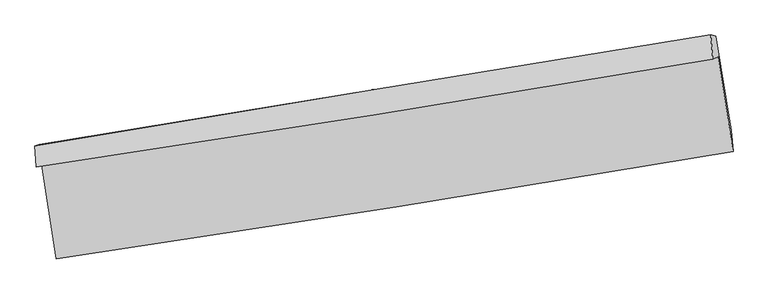
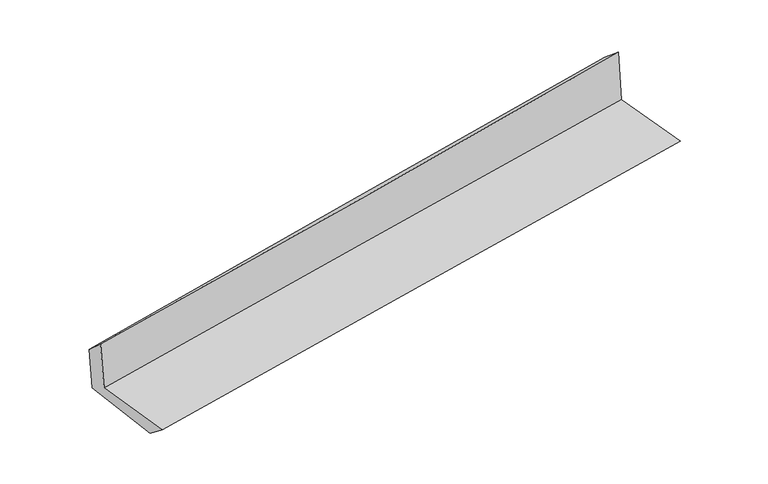
"""IFC4 building model written with IfcOpenShell, lengths in millimetres: proxy geometry."""

from ifc_helpers import new_model, si_unit, frame, origin, place, context, project, spatial, source, transform, mapped, element, save
from ifc_brep_helpers import plane_surface, spline_curve, spline_surface, advanced_brep


def generic_models_639da95f(model_context):
    return source(origin(), model_context, "Body", "AdvancedBrep", [
        advanced_brep(
        [(-2368.7172666, -1876.3100046, 1672.4766012), (-2265.7077989, -2525.5850871, 1665.507008), (2419.4420788, -1783.3703887, 2083.043802), (2315.7062234, -1124.9245097, 2083.134934), (-2403.792589, -1887.9878995, 2075.7857549), (2278.8938667, -1142.8764339, 2516.2221167), (-2414.5711312, -1744.3673212, 1946.1491553), (2264.9262178, -973.0624868, 2376.5540205), (-2384.0379597, -1733.0461, 1593.0768277), (2299.6050242, -983.013635, 2014.8012798), (-2278.8097993, -2377.1971815, 1553.0420381), (2406.1833728, -1635.3999073, 1973.2254562)],
        [
            (0, 1),
            (1, 2, spline_curve(3, [(-2265.7077989, -2525.5850871, 1665.507008), (-1481.330164058, -2409.134807769, 1746.267998175), (-697.077970812, -2288.78320259, 1821.566135181), (864.636571414, -2041.313506852, 1960.654335003), (1642.101004263, -1914.260212494, 2024.535129363), (2419.4420788, -1783.3703887, 2083.043802)], [4, 2, 4], [0.0, 7.8447046280036705, 15.62399098537959])),
            (2, 3),
            (3, 0, spline_curve(3, [(2315.7062234, -1124.9245097, 2083.134934), (1538.765257787, -1260.445038233, 2028.06269784), (761.561743516, -1390.581226324, 1966.475731234), (-799.908318666, -1641.13399587, 1829.69964928), (-1584.179301424, -1761.459639441, 1754.400505294), (-2368.7172666, -1876.3100046, 1672.4766012)], [4, 2, 4], [0.0, 7.77928635737592, 15.62399098537959])),
            (4, 0),
            (3, 5),
            (5, 4, spline_curve(3, [(2278.8938667, -1142.8764339, 2516.2221167), (1503.107737355, -1275.168605757, 2442.976135455), (726.627602076, -1403.16539022, 2369.803483539), (-834.256161772, -1651.60842463, 2222.990124498), (-1618.671512002, -1771.982128958, 2149.350656033), (-2403.792589, -1887.9878995, 2075.7857549)], [4, 2, 4], [0.0, 7.779186312062177, 15.623790053442104])),
            (6, 4),
            (5, 7),
            (7, 6, spline_curve(3, [(2264.9262178, -973.0624868, 2376.5540205), (1488.145351156, -1098.854817333, 2302.939608638), (711.429303024, -1225.752613719, 2230.410942182), (-848.40424141, -1482.835554763, 2086.924316419), (-1631.520642839, -1613.039369737, 2015.984694354), (-2414.5711312, -1744.3673212, 1946.1491553)], [4, 2, 4], [0.0, 7.779070901906389, 15.623558262613122])),
            (8, 6),
            (7, 9),
            (9, 8, spline_curve(3, [(2299.6050242, -983.013635, 2014.8012798), (1522.526376828, -1109.306988547, 1945.310868116), (745.318232473, -1234.698461446, 1875.570158608), (-815.893908497, -1484.724515168, 1734.99956855), (-1599.900091945, -1609.34386389, 1664.165460909), (-2384.0379597, -1733.0461, 1593.0768277)], [4, 2, 4], [0.0, 7.779076573391681, 15.623569653276867])),
            (10, 8),
            (9, 11),
            (11, 10, spline_curve(3, [(2406.1833728, -1635.3999073, 1973.2254562), (1629.813623516, -1765.942928907, 1903.471743575), (852.849836613, -1892.787601691, 1833.726178687), (-708.804521418, -2140.115821988, 1693.664901584), (-1493.505125133, -2260.536907532, 1623.349327225), (-2278.8097993, -2377.1971815, 1553.0420381)], [4, 2, 4], [0.0, 7.778974979638425, 15.62336561143908])),
            (1, 10),
            (11, 2),
        ],
        [
            spline_surface(3, 3, [[(-2368.7172666, -1876.3100046, 1672.4766012), (-1584.179301303, -1761.459639311, 1754.400505237), (-799.908318772, -1641.133995783, 1829.699649401), (761.561743621, -1390.581226411, 1966.475731114), (1538.765257786, -1260.44503835, 2028.062697908), (2315.7062234, -1124.9245097, 2083.134934)], [(-2334.380777366, -2092.735032076, 1670.153403468), (-1549.896255593, -1977.351362075, 1751.689669522), (-765.631536184, -1857.01706474, 1826.988477962), (795.920019557, -1607.491986575, 1964.535265765), (1573.210506582, -1478.383429716, 2026.886841755), (2350.284841851, -1344.406469358, 2083.10455668)], [(-2300.044288134, -2309.160059624, 1667.830205732), (-1515.613209887, -2193.243084911, 1748.978833804), (-731.354753506, -2072.900133639, 1824.277306539), (830.278295583, -1824.402746682, 1962.594800432), (1607.655755425, -1696.321821109, 2025.710985561), (2384.863460349, -1563.888429042, 2083.07417932)], [(-2265.7077989, -2525.5850871, 1665.507008), (-1481.330164177, -2409.134807676, 1746.26799809), (-697.077970918, -2288.783202596, 1821.5661351), (864.636571519, -2041.313506846, 1960.654335084), (1642.101004222, -1914.260212475, 2024.535129408), (2419.4420788, -1783.3703887, 2083.043802)]], [4, 4], [4, 2, 4], [0.0, 2.1565872112915736], [0.0, 7.8447046280036705, 15.62399098537959]),
            spline_surface(3, 3, [[(-2403.792589, -1887.9878995, 2075.7857549), (-1618.671511955, -1771.98212886, 2149.350655907), (-834.256161817, -1651.60842474, 2222.990124472), (726.62760212, -1403.16539011, 2369.803483564), (1503.107737274, -1275.168605757, 2442.976135569), (2278.8938667, -1142.8764339, 2516.2221167)], [(-2392.100814867, -1884.095267867, 1941.349370351), (-1607.174108405, -1768.474632344, 2017.700605701), (-822.806880782, -1648.116948425, 2091.89329945), (738.272315974, -1398.970668881, 2235.360899415), (1514.993577459, -1270.260749963, 2304.671656339), (2291.164652281, -1136.892459175, 2371.859722457)], [(-2380.409040733, -1880.202636233, 1806.912985749), (-1595.676704853, -1764.967135827, 1886.050555443), (-811.357599807, -1644.625472098, 1960.796474423), (749.917029767, -1394.77594764, 2100.918315262), (1526.879417601, -1265.352894145, 2166.367177139), (2303.435437819, -1130.908484425, 2227.497328243)], [(-2368.7172666, -1876.3100046, 1672.4766012), (-1584.179301303, -1761.459639311, 1754.400505237), (-799.908318772, -1641.133995783, 1829.699649401), (761.561743621, -1390.581226411, 1966.475731114), (1538.765257786, -1260.44503835, 2028.062697908), (2315.7062234, -1124.9245097, 2083.134934)]], [4, 4], [4, 2, 4], [0.0, 1.3121288525227404], [0.0, 7.8446037413799266, 15.623790053442104]),
            spline_surface(3, 3, [[(-2414.5711312, -1744.3673212, 1946.1491553), (-1631.520642853, -1613.039369723, 2015.984694321), (-848.404241391, -1482.835554715, 2086.924316354), (711.429303006, -1225.752613767, 2230.410942246), (1488.145351225, -1098.854817349, 2302.939608581), (2264.9262178, -973.0624868, 2376.5540205)], [(-2410.978283776, -1792.240847299, 1989.361355155), (-1627.237599197, -1666.020289435, 2060.440014837), (-843.688214881, -1539.093178061, 2132.279585732), (716.495402696, -1284.890205886, 2276.875122691), (1493.132813243, -1157.626080141, 2349.618450898), (2269.582100768, -1029.667135822, 2423.110052554)], [(-2407.385436424, -1840.114373401, 2032.573555045), (-1622.954555612, -1719.001209149, 2104.89533539), (-838.972188327, -1595.350801394, 2177.634855094), (721.56150243, -1344.027797991, 2323.339303119), (1498.120275256, -1216.397342966, 2396.297293253), (2274.237983732, -1086.271784878, 2469.666084646)], [(-2403.792589, -1887.9878995, 2075.7857549), (-1618.671511955, -1771.98212886, 2149.350655907), (-834.256161817, -1651.60842474, 2222.990124472), (726.62760212, -1403.16539011, 2369.803483564), (1503.107737274, -1275.168605757, 2442.976135569), (2278.8938667, -1142.8764339, 2516.2221167)]], [4, 4], [4, 2, 4], [0.0, 0.7272013301486623], [0.0, 7.844487360706733, 15.623558262613122]),
            spline_surface(3, 3, [[(-2384.0379597, -1733.0461, 1593.0768277), (-1599.900091879, -1609.343863911, 1664.165460814), (-815.893908436, -1484.724515201, 1734.999568571), (745.318232412, -1234.698461414, 1875.570158587), (1522.526376938, -1109.306988444, 1945.310868183), (2299.6050242, -983.013635, 2014.8012798)], [(-2394.215683535, -1736.819840411, 1710.76760356), (-1610.440275539, -1610.575699193, 1781.438538642), (-826.730686065, -1484.094861699, 1852.307817837), (734.021922632, -1231.716512192, 1993.850419812), (1511.066035026, -1105.822931397, 2064.520448318), (2288.045422059, -979.696585584, 2135.385526702)], [(-2404.393407365, -1740.593580789, 1828.45837944), (-1620.980459193, -1611.807534441, 1898.711616492), (-837.567463762, -1483.465208216, 1969.616067088), (722.725612786, -1228.734562989, 2112.130681021), (1499.605693137, -1102.338874397, 2183.730028446), (2276.485819941, -976.379536216, 2255.969773598)], [(-2414.5711312, -1744.3673212, 1946.1491553), (-1631.520642853, -1613.039369723, 2015.984694321), (-848.404241391, -1482.835554715, 2086.924316354), (711.429303006, -1225.752613767, 2230.410942246), (1488.145351225, -1098.854817349, 2302.939608581), (2264.9262178, -973.0624868, 2376.5540205)]], [4, 4], [4, 2, 4], [0.0, 1.1645903035342078], [0.0, 7.844493079885186, 15.623569653276867]),
            spline_surface(3, 3, [[(-2278.8097993, -2377.1971815, 1553.0420381), (-1493.505125065, -2260.536907569, 1623.349327314), (-708.804521313, -2140.115822115, 1693.66490165), (852.849836509, -1892.787601565, 1833.726178622), (1629.81362346, -1765.942928906, 1903.471743656), (2406.1833728, -1635.3999073, 1973.2254562)], [(-2313.885852769, -2162.480154349, 1566.386967971), (-1528.970114005, -2043.472559698, 1636.954705152), (-744.500983702, -1921.65205312, 1707.443123934), (817.005968463, -1673.424554825, 1847.67417192), (1594.051207951, -1547.064282084, 1917.418118511), (2370.657256598, -1417.937816532, 1987.084064079)], [(-2348.961906231, -1947.763127151, 1579.731897829), (-1564.435102939, -1826.408211781, 1650.560082976), (-780.197446047, -1703.188284195, 1721.221346287), (781.162100459, -1454.061508154, 1861.622165288), (1558.288792447, -1328.185635266, 1931.364493328), (2335.131140402, -1200.475725768, 2000.942671921)], [(-2384.0379597, -1733.0461, 1593.0768277), (-1599.900091879, -1609.343863911, 1664.165460814), (-815.893908436, -1484.724515201, 1734.999568571), (745.318232412, -1234.698461414, 1875.570158587), (1522.526376938, -1109.306988444, 1945.310868183), (2299.6050242, -983.013635, 2014.8012798)]], [4, 4], [4, 2, 4], [0.0, 2.187455123837917], [0.0, 7.844390631800655, 15.62336561143908]),
            spline_surface(3, 3, [[(-2265.7077989, -2525.5850871, 1665.507008), (-1481.330164177, -2409.134807676, 1746.26799809), (-697.077970918, -2288.783202596, 1821.5661351), (864.636571519, -2041.313506846, 1960.654335084), (1642.101004222, -1914.260212475, 2024.535129408), (2419.4420788, -1783.3703887, 2083.043802)], [(-2270.075132387, -2476.122451898, 1628.018684696), (-1485.388484494, -2359.602174305, 1705.295107827), (-700.986821033, -2239.227409104, 1778.932390633), (860.707659866, -1991.804871754, 1918.344949613), (1638.005210644, -1864.82111798, 1984.180667485), (2415.022510142, -1734.046894929, 2046.437686728)], [(-2274.442465813, -2426.659816702, 1590.530361404), (-1489.446804749, -2310.06954094, 1664.322217577), (-704.895671198, -2189.671615607, 1736.298646118), (856.778748163, -1942.296236657, 1876.035564093), (1633.909417038, -1815.3820234, 1943.826205579), (2410.602941458, -1684.723401071, 2009.831571472)], [(-2278.8097993, -2377.1971815, 1553.0420381), (-1493.505125065, -2260.536907569, 1623.349327314), (-708.804521313, -2140.115822115, 1693.66490165), (852.849836509, -1892.787601565, 1833.726178622), (1629.81362346, -1765.942928906, 1903.471743656), (2406.1833728, -1635.3999073, 1973.2254562)]], [4, 4], [4, 2, 4], [0.0, 0.6433694366302001], [0.0, 7.8443966018157765, 15.623377501684393]),
            plane_surface(frame((2330.7927973, -1273.7745602, 2174.4969349), z_axis=(0.9838047872997627, 0.1549825553884491, 0.09004747642957667), x_axis=(-0.09539006266012166, 0.027372356570851766, 0.995063560804764))),
            plane_surface(frame((-2352.6060908, -2024.0822657, 1751.0062309), z_axis=(-0.9837839027882225, -0.15511367661029402, -0.09004987475399735), x_axis=(-0.1566844472850887, 0.9875918174746717, 0.010601228044006079))),
        ],
        [
            (0, [[1, 2, 3, 4]]),
            (1, [[5, -4, 6, 7]]),
            (2, [[8, -7, 9, 10]]),
            (3, [[11, -10, 12, 13]]),
            (4, [[14, -13, 15, 16]]),
            (5, [[17, -16, 18, -2]]),
            (6, [[-12, -9, -6, -3, -18, -15]]),
            (7, [[-1, -5, -8, -11, -14, -17]]),
        ],
    ),
    ])


if __name__ == "__main__":
    model = new_model("IFC4")
    model_context = context("Model", 3, world=origin())
    ifc_project = project(units=[si_unit("LENGTHUNIT", "METRE", prefix="MILLI")], contexts=[model_context])
    site = spatial("IfcSite", under=ifc_project)
    building = spatial("IfcBuilding", under=site)
    placement = place(None, origin())
    generic_models_shape = generic_models_639da95f(model_context)
    element("IfcBuildingElementProxy", 1, Name="Generic Models", at=placement, inside=building, context=model_context, shape_type="MappedRepresentation", body=[
        mapped(generic_models_shape, transform((0.0, 0.0, 0.0), x_axis=(1.0, 0.0, 0.0), y_axis=(0.0, 1.0, 0.0), z_axis=(0.0, 0.0, 1.0))),
    ])
    save(model, "model.ifc")
